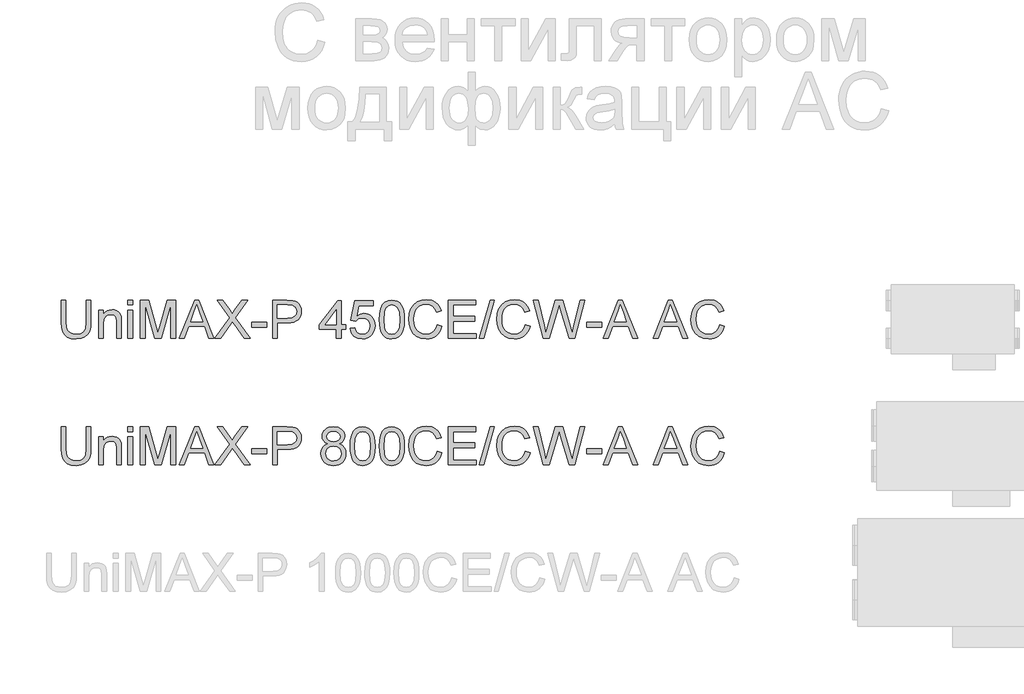
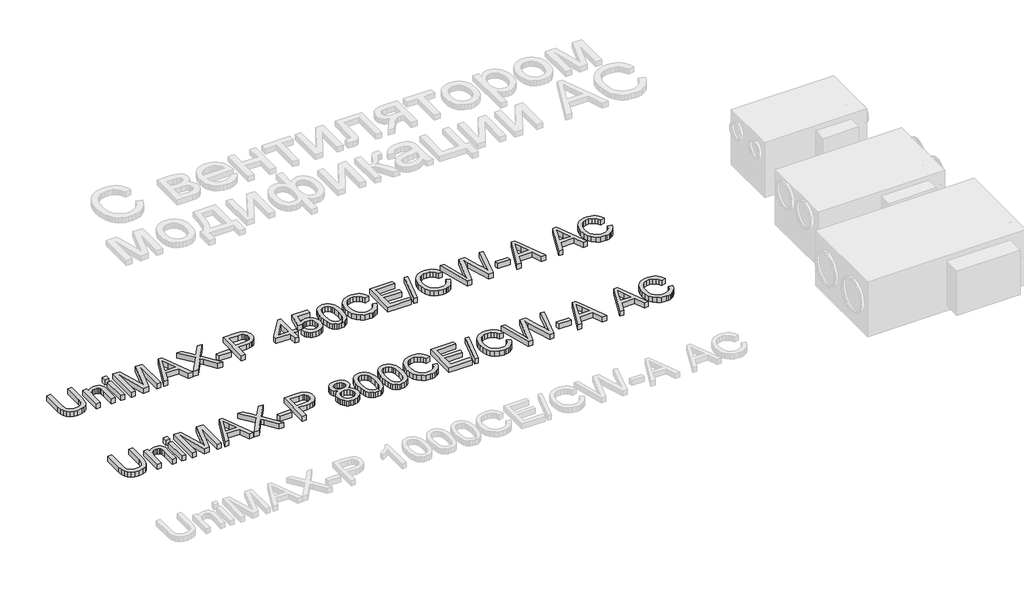
# One storey, part 44 of 74: 2 proxies.
"""IFC4 building model written with IfcOpenShell, lengths in millimetres."""

from ifc_helpers import new_model, si_unit, origin, origin_with_axes, place, context, project, spatial, polyline, outline, extrude, element, save

model = new_model("IFC4")

# Units and contexts
model_context = context("Model", 3, world=origin())
ifc_project = project(units=[si_unit("LENGTHUNIT", "METRE", prefix="MILLI")], contexts=[model_context])

# Site, building, storey
site = spatial("IfcSite", under=ifc_project)
building = spatial("IfcBuilding", under=site)
storey = spatial("IfcBuildingStorey", under=building, Elevation=0.0)

# Proxies
placement = place(None, origin())
element("IfcBuildingElementProxy", 1, Name="Generic Models", at=placement, inside=storey, context=model_context, shape_type="SweptSolid", body=[
    extrude(outline(polyline([(34632.348332, -27731.9528304), (34670.0194483, -27731.9528304), (34670.0194483, -27905.8138613), (34667.4626684, -27946.5292011), (34659.7923288, -27977.8819441), (34645.4633251, -28002.0701853), (34622.9305529, -28021.2920196), (34592.1388299, -28033.8459926), (34553.0329738, -28038.0306503), (34514.7824434, -28034.3886186), (34484.2022526, -28023.4625233), (34461.2832043, -28005.6294436), (34446.0161015, -27981.2664585), (34437.4352539, -27948.5893403), (34434.5749714, -27905.8138613), (34434.5749714, -27731.9528304), (34472.2460877, -27731.9528304), (34472.2460877, -27904.4894861), (34474.1038918, -27938.3438267), (34479.677304, -27961.9158655), (34489.7756648, -27978.2406291), (34505.2083145, -27990.3531438), (34525.3314596, -27997.8579365), (34549.5013067, -28000.359534), (34587.8162165, -27995.4115212), (34602.1590158, -27989.2265052), (34613.2920447, -27980.5674827), (34621.6291704, -27968.3905887), (34627.5842602, -27951.6519579), (34632.348332, -27904.4894861), (34632.348332, -27731.9528304)])), origin_with_axes(), (0.0, 0.0, 1.0), 50.0),
    extrude(outline(polyline([(34731.2350123, -28033.3217608), (34731.2350123, -27812.0039525), (34768.9061286, -27812.0039525), (34768.9061286, -27842.9060401), (34781.9935306, -27827.3262376), (34797.7112888, -27816.1978072), (34816.0594033, -27809.520749), (34837.0378741, -27807.295063), (34855.6067178, -27809.0884877), (34872.6120631, -27814.4687619), (34886.793914, -27822.7645009), (34896.8922747, -27833.30432), (34908.186252, -27861.0058343), (34910.1728148, -27897.4261518), (34910.1728148, -28033.3217608), (34872.5016985, -28033.3217608), (34872.5016985, -27902.5029233), (34868.1606909, -27869.1728146), (34862.1550173, -27859.2491977), (34852.8200117, -27851.551267), (34840.8546498, -27846.6124512), (34826.9579075, -27844.9661793), (34804.8941848, -27848.6633933), (34786.0862178, -27859.7550355), (34778.5699288, -27868.8095311), (34773.2011509, -27881.1841617), (34768.9061286, -27915.8938279), (34768.9061286, -28033.3217608), (34731.2350123, -28033.3217608)])), origin_with_axes(), (0.0, 0.0, 1.0), 50.0),
    extrude(outline(polyline([(34961.9705997, -28033.3217608), (34961.9705997, -27812.0039525), (34999.641716, -27812.0039525), (34999.641716, -28033.3217608), (34961.9705997, -28033.3217608)])), origin_with_axes(), (0.0, 0.0, 1.0), 50.0),
    extrude(outline(polyline([(34961.9705997, -27769.6239467), (34961.9705997, -27731.9528304), (34999.641716, -27731.9528304), (34999.641716, -27769.6239467), (34961.9705997, -27769.6239467)])), origin_with_axes(), (0.0, 0.0, 1.0), 50.0),
    extrude(outline(polyline([(35060.85728, -28033.3217608), (35060.85728, -27731.9528304), (35125.6780875, -27731.9528304), (35187.3351099, -27944.3678944), (35199.7695214, -27988.734463), (35213.2340024, -27940.6890744), (35273.8609552, -27731.9528304), (35338.6817627, -27731.9528304), (35338.6817627, -28033.3217608), (35301.0106464, -28033.3217608), (35301.0106464, -27769.6239467), (35225.3005318, -28033.3217608), (35174.2385109, -28033.3217608), (35098.5283963, -27769.6239467), (35098.5283963, -28033.3217608), (35060.85728, -28033.3217608)])), origin_with_axes(), (0.0, 0.0, 1.0), 50.0),
    extrude(outline(polyline([(35369.5102739, -28033.3217608), (35489.8076864, -27731.9528304), (35521.8869963, -27731.9528304), (35642.1844088, -28033.3217608), (35602.3795769, -28033.3217608), (35567.8722457, -27939.14397), (35443.7488606, -27939.14397), (35409.3151058, -28033.3217608), (35369.5102739, -28033.3217608)]), holes=[polyline([(35457.5812236, -27901.4728537), (35554.1134591, -27901.4728537), (35526.9637679, -27827.3814199), (35505.8473414, -27769.6239467), (35487.0853596, -27820.9066968), (35457.5812236, -27901.4728537)])]), origin_with_axes(), (0.0, 0.0, 1.0), 50.0),
    extrude(outline(polyline([(35649.4684723, -28033.3217608), (35765.6456063, -27869.0992382), (35668.3040304, -27731.9528304), (35713.4799394, -27731.9528304), (35768.2943567, -27809.1344729), (35786.7620329, -27839.2272201), (35808.3934942, -27808.6194381), (35862.6193003, -27731.9528304), (35908.4573969, -27731.9528304), (35811.115821, -27869.5406965), (35927.292955, -28033.3217608), (35882.117046, -28033.3217608), (35804.7146742, -27924.1343846), (35788.6014428, -27901.4728537), (35770.8695307, -27926.3416766), (35695.3065689, -28033.3217608), (35649.4684723, -28033.3217608)])), origin_with_axes(), (0.0, 0.0, 1.0), 50.0),
    extrude(outline(polyline([(35941.4196236, -27943.8528596), (35941.4196236, -27906.1817433), (36059.1418621, -27906.1817433), (36059.1418621, -27943.8528596), (35941.4196236, -27943.8528596)])), origin_with_axes(), (0.0, 0.0, 1.0), 50.0),
    extrude(outline(polyline([(36106.2307575, -28033.3217608), (36106.2307575, -27731.9528304), (36217.9197312, -27731.9528304), (36262.9484874, -27734.8223099), (36283.0256473, -27740.18419), (36299.5527459, -27748.9121903), (36312.8608771, -27761.4017841), (36323.2811346, -27778.0484443), (36330.0133752, -27797.6841458), (36332.2574553, -27819.1408632), (36330.7422414, -27837.640729), (36326.1965995, -27854.6598698), (36318.6205296, -27870.1982856), (36308.0140318, -27884.2559764), (36293.4528026, -27895.9086386), (36274.0125384, -27904.2319687), (36249.6932393, -27909.2259668), (36220.4949052, -27910.8906328), (36143.9018738, -27910.8906328), (36143.9018738, -28033.3217608), (36106.2307575, -28033.3217608)]), holes=[polyline([(36143.9018738, -27873.2195165), (36222.7021972, -27873.2195165), (36256.1058823, -27869.7614257), (36278.178802, -27859.3871535), (36290.4844548, -27842.7404932), (36294.586339, -27820.4652384), (36292.1675149, -27803.5426666), (36284.9110425, -27789.2688452), (36273.7182328, -27778.5266909), (36259.4903967, -27772.1991206), (36221.8192804, -27769.6239467), (36143.9018738, -27769.6239467), (36143.9018738, -27873.2195165)])]), origin_with_axes(), (0.0, 0.0, 1.0), 50.0),
    extrude(outline(polyline([(36610.0819381, -28033.3217608), (36610.0819381, -27962.6884177), (36473.5241415, -27962.6884177), (36473.5241415, -27925.0173014), (36619.4997172, -27736.6617199), (36647.7530544, -27736.6617199), (36647.7530544, -27925.0173014), (36685.4241707, -27925.0173014), (36685.4241707, -27962.6884177), (36647.7530544, -27962.6884177), (36647.7530544, -28033.3217608), (36610.0819381, -28033.3217608)]), holes=[polyline([(36610.0819381, -27925.0173014), (36610.0819381, -27808.6194381), (36519.8772729, -27925.0173014), (36610.0819381, -27925.0173014)])]), origin_with_axes(), (0.0, 0.0, 1.0), 50.0),
    extrude(outline(polyline([(36718.3863975, -27953.2706387), (36756.0575138, -27948.5617491), (36762.9736953, -27971.1772948), (36775.0402247, -27987.3732996), (36792.2019198, -27997.1129754), (36814.4035982, -28000.359534), (36841.4061366, -27995.8437825), (36861.6396464, -27982.2965281), (36874.2763929, -27961.2812691), (36878.4886418, -27934.3615041), (36874.5431074, -27909.0144346), (36862.7065042, -27889.6270535), (36842.8868617, -27877.3214007), (36814.9922094, -27873.2195165), (36796.7176713, -27874.8565914), (36781.919618, -27879.767816), (36760.7664033, -27896.7639642), (36723.095287, -27892.0550747), (36756.0575138, -27736.6617199), (36902.0330895, -27736.6617199), (36902.0330895, -27774.3328362), (36786.518143, -27774.3328362), (36770.4049116, -27857.3270143), (36797.3154795, -27840.9930537), (36825.5136345, -27835.5484002), (36843.8594497, -27837.2360588), (36860.7107443, -27842.2990348), (36876.0675184, -27850.7373281), (36889.9297718, -27862.5509386), (36901.4053908, -27877.0178981), (36909.6022615, -27893.416238), (36914.5203839, -27911.7459584), (36916.1597581, -27932.0070593), (36910.255252, -27969.6781756), (36902.8746195, -27986.4719887), (36892.541734, -28001.9046384), (36876.8883551, -28017.7097686), (36858.623014, -28028.9991474), (36837.7457108, -28035.7727746), (36814.2564454, -28038.0306503), (36777.2567137, -28032.2273119), (36761.578043, -28024.9731388), (36747.7801689, -28014.8172964), (36736.2999514, -28002.2656226), (36727.5742503, -27987.823955), (36718.3863975, -27953.2706387)])), origin_with_axes(), (0.0, 0.0, 1.0), 50.0),
    extrude(outline(polyline([(36949.1219848, -27885.0653167), (36951.8902968, -27836.8267901), (36960.1952329, -27798.3555305), (36973.9540195, -27769.0629266), (36993.0838833, -27748.3603673), (37017.7227799, -27736.0547146), (37048.0086651, -27731.9528304), (37071.222019, -27734.3808515), (37092.0073518, -27741.664915), (37109.389776, -27753.5199123), (37122.3944046, -27769.6607349), (37132.2168538, -27789.9494269), (37140.0527403, -27814.2480327), (37145.1846942, -27845.104135), (37146.8953454, -27885.0653167), (37144.1546246, -27933.0279319), (37135.932462, -27971.407221), (37122.2564488, -28000.727416), (37103.1541762, -28021.5127488), (37078.4600973, -28033.9011749), (37048.0086651, -28038.0306503), (37027.2601206, -28036.2372256), (37008.8660209, -28030.8569514), (36992.8263659, -28021.8898278), (36979.1411556, -28009.3358547), (36966.0077684, -27986.6421341), (36956.6267775, -27958.3658043), (36950.998183, -27924.5068652), (36949.1219848, -27885.0653167)]), holes=[polyline([(36986.7931011, -27884.9917403), (36991.2076851, -27944.2483327), (36996.725915, -27964.5163314), (37004.4514369, -27978.5441317), (37024.1699118, -27994.9056835), (37048.0086651, -28000.359534), (37071.8474184, -27994.8872894), (37091.5658934, -27978.4705553), (37099.2914153, -27964.4197624), (37104.8096452, -27944.1563622), (37109.2242291, -27884.9917403), (37104.956798, -27827.0687202), (37099.6225091, -27806.8674001), (37092.1545046, -27792.5062068), (37072.4728178, -27775.3445117), (37047.5672067, -27769.6239467), (37023.9859709, -27774.66393), (37005.0400481, -27789.78388), (36997.0570088, -27805.4188648), (36991.3548379, -27826.4985031), (36986.7931011, -27884.9917403)])]), origin_with_axes(), (0.0, 0.0, 1.0), 50.0),
    extrude(outline(polyline([(37405.88427, -27926.1945238), (37443.5553864, -27935.9066085), (37436.1011774, -27959.3337938), (37426.1729621, -27979.8041276), (37413.7707403, -27997.3176098), (37398.8945121, -28011.8742405), (37381.8799699, -28023.3176698), (37363.0628058, -28031.4915479), (37342.44302, -28036.3958747), (37320.0206124, -28038.0306503), (37276.3254284, -28033.0826375), (37241.6249592, -28018.238599), (37215.0270909, -27994.0135696), (37195.6397098, -27960.9225842), (37183.8031066, -27922.0190632), (37179.8575722, -27880.3564272), (37184.3181414, -27836.4129229), (37197.699849, -27798.4658951), (37219.3037191, -27767.7201573), (37248.4307761, -27745.3805232), (37282.9748955, -27731.7780864), (37320.8299528, -27727.2439408), (37362.1339038, -27733.1116586), (37380.10264, -27740.4463059), (37396.28255, -27750.7148121), (37410.4069193, -27763.6458642), (37422.2090336, -27778.9681493), (37438.8464968, -27816.7864184), (37401.1753805, -27825.7627391), (37388.1155697, -27798.2911511), (37370.2732929, -27779.4463959), (37347.427821, -27768.5478918), (37319.3584248, -27764.9150571), (37287.0032033, -27768.943365), (37260.4237292, -27781.0282885), (37240.2545988, -27799.9006349), (37227.1304086, -27824.2912111), (37219.9291185, -27851.8639667), (37217.5286885, -27880.2828508), (37220.3705769, -27915.0844876), (37228.8962422, -27945.1772348), (37243.427581, -27969.4114612), (37264.2864901, -27986.6375356), (37289.2932687, -27996.9290344), (37316.268216, -28000.359534), (37347.7129296, -27995.6874327), (37373.9153247, -27981.6711287), (37393.698179, -27958.4577748), (37405.88427, -27926.1945238)])), origin_with_axes(), (0.0, 0.0, 1.0), 50.0),
    extrude(outline(polyline([(37495.3531713, -28033.3217608), (37495.3531713, -27731.9528304), (37711.96209, -27731.9528304), (37711.96209, -27769.6239467), (37533.0242876, -27769.6239467), (37533.0242876, -27859.0928479), (37702.544311, -27859.0928479), (37702.544311, -27896.7639642), (37533.0242876, -27896.7639642), (37533.0242876, -27995.6506445), (37716.6709796, -27995.6506445), (37716.6709796, -28033.3217608), (37495.3531713, -28033.3217608)])), origin_with_axes(), (0.0, 0.0, 1.0), 50.0),
    extrude(outline(polyline([(37740.2154273, -28033.3217608), (37824.975439, -27731.9528304), (37858.9677353, -27731.9528304), (37774.2077236, -28033.3217608), (37740.2154273, -28033.3217608)])), origin_with_axes(), (0.0, 0.0, 1.0), 50.0),
    extrude(outline(polyline([(38102.7999217, -27926.1945238), (38140.471038, -27935.9066085), (38133.0168291, -27959.3337938), (38123.0886137, -27979.8041276), (38110.686392, -27997.3176098), (38095.8101638, -28011.8742405), (38078.7956215, -28023.3176698), (38059.9784575, -28031.4915479), (38039.3586716, -28036.3958747), (38016.936264, -28038.0306503), (37973.2410801, -28033.0826375), (37938.5406109, -28018.238599), (37911.9427426, -27994.0135696), (37892.5553615, -27960.9225842), (37880.7187583, -27922.0190632), (37876.7732239, -27880.3564272), (37881.2337931, -27836.4129229), (37894.6155006, -27798.4658951), (37916.2193708, -27767.7201573), (37945.3464278, -27745.3805232), (37979.8905471, -27731.7780864), (38017.7456044, -27727.2439408), (38059.0495554, -27733.1116586), (38077.0182916, -27740.4463059), (38093.1982016, -27750.7148121), (38107.322571, -27763.6458642), (38119.1246852, -27778.9681493), (38135.7621485, -27816.7864184), (38098.0910322, -27825.7627391), (38085.0312213, -27798.2911511), (38067.1889446, -27779.4463959), (38044.3434727, -27768.5478918), (38016.2740764, -27764.9150571), (37983.918855, -27768.943365), (37957.3393808, -27781.0282885), (37937.1702504, -27799.9006349), (37924.0460603, -27824.2912111), (37916.8447702, -27851.8639667), (37914.4443402, -27880.2828508), (37917.2862286, -27915.0844876), (37925.8118938, -27945.1772348), (37940.3432326, -27969.4114612), (37961.2021418, -27986.6375356), (37986.2089204, -27996.9290344), (38013.1838677, -28000.359534), (38044.6285812, -27995.6874327), (38070.8309763, -27981.6711287), (38090.6138306, -27958.4577748), (38102.7999217, -27926.1945238)])), origin_with_axes(), (0.0, 0.0, 1.0), 50.0),
    extrude(outline(polyline([(38246.2003234, -28033.3217608), (38164.0154857, -27731.9528304), (38202.8638244, -27731.9528304), (38250.541331, -27930.0204966), (38265.2566108, -27991.1624842), (38281.0019602, -27937.0838309), (38340.7459962, -27731.9528304), (38396.7376359, -27731.9528304), (38440.1477113, -27880.6507328), (38458.7441461, -27935.8330321), (38472.4477505, -27991.1624842), (38486.7215719, -27931.7863301), (38534.8405368, -27731.9528304), (38573.6888755, -27731.9528304), (38491.4304614, -28033.3217608), (38451.1841711, -28033.3217608), (38378.9321473, -27800.8203398), (38368.8521806, -27768.3731479), (38357.5214152, -27807.4422158), (38291.670538, -28033.3217608), (38246.2003234, -28033.3217608)])), origin_with_axes(), (0.0, 0.0, 1.0), 50.0),
    extrude(outline(polyline([(38587.8155441, -27943.8528596), (38587.8155441, -27906.1817433), (38705.5377826, -27906.1817433), (38705.5377826, -27943.8528596), (38587.8155441, -27943.8528596)])), origin_with_axes(), (0.0, 0.0, 1.0), 50.0),
    extrude(outline(polyline([(38717.5307356, -28033.3217608), (38837.8281481, -27731.9528304), (38869.9074581, -27731.9528304), (38990.2048705, -28033.3217608), (38950.4000386, -28033.3217608), (38915.8927074, -27939.14397), (38791.7693223, -27939.14397), (38757.3355675, -28033.3217608), (38717.5307356, -28033.3217608)]), holes=[polyline([(38805.6016853, -27901.4728537), (38902.1339208, -27901.4728537), (38874.9842296, -27827.3814199), (38853.8678031, -27769.6239467), (38835.1058213, -27820.9066968), (38805.6016853, -27901.4728537)])]), origin_with_axes(), (0.0, 0.0, 1.0), 50.0),
    extrude(outline(polyline([(39113.0774569, -28033.3217608), (39233.3748693, -27731.9528304), (39265.4541793, -27731.9528304), (39385.7515917, -28033.3217608), (39345.9467598, -28033.3217608), (39311.4394287, -27939.14397), (39187.3160435, -27939.14397), (39152.8822887, -28033.3217608), (39113.0774569, -28033.3217608)]), holes=[polyline([(39201.1484065, -27901.4728537), (39297.680642, -27901.4728537), (39270.5309508, -27827.3814199), (39249.4145243, -27769.6239467), (39230.6525425, -27820.9066968), (39201.1484065, -27901.4728537)])]), origin_with_axes(), (0.0, 0.0, 1.0), 50.0),
    extrude(outline(polyline([(39637.8979112, -27926.1945238), (39675.5690275, -27935.9066085), (39668.1148186, -27959.3337938), (39658.1866032, -27979.8041276), (39645.7843815, -27997.3176098), (39630.9081533, -28011.8742405), (39613.893611, -28023.3176698), (39595.0764469, -28031.4915479), (39574.4566611, -28036.3958747), (39552.0342535, -28038.0306503), (39508.3390695, -28033.0826375), (39473.6386003, -28018.238599), (39447.0407321, -27994.0135696), (39427.6533509, -27960.9225842), (39415.8167477, -27922.0190632), (39411.8712133, -27880.3564272), (39416.3317825, -27836.4129229), (39429.7134901, -27798.4658951), (39451.3173603, -27767.7201573), (39480.4444172, -27745.3805232), (39514.9885366, -27731.7780864), (39552.8435939, -27727.2439408), (39594.1475449, -27733.1116586), (39612.1162811, -27740.4463059), (39628.2961911, -27750.7148121), (39642.4205605, -27763.6458642), (39654.2226747, -27778.9681493), (39670.8601379, -27816.7864184), (39633.1890216, -27825.7627391), (39620.1292108, -27798.2911511), (39602.286934, -27779.4463959), (39579.4414621, -27768.5478918), (39551.3720659, -27764.9150571), (39519.0168444, -27768.943365), (39492.4373703, -27781.0282885), (39472.2682399, -27799.9006349), (39459.1440497, -27824.2912111), (39451.9427597, -27851.8639667), (39449.5423297, -27880.2828508), (39452.3842181, -27915.0844876), (39460.9098833, -27945.1772348), (39475.4412221, -27969.4114612), (39496.3001312, -27986.6375356), (39521.3069099, -27996.9290344), (39548.2818572, -28000.359534), (39579.7265707, -27995.6874327), (39605.9289658, -27981.6711287), (39625.7118201, -27958.4577748), (39637.8979112, -27926.1945238)])), origin_with_axes(), (0.0, 0.0, 1.0), 50.0),
])
element("IfcBuildingElementProxy", 2, Name="Generic Models", at=placement, inside=storey, context=model_context, shape_type="SweptSolid", body=[
    extrude(outline(polyline([(34632.348332, -28731.9528304), (34670.0194483, -28731.9528304), (34670.0194483, -28905.8138613), (34667.4626684, -28946.5292011), (34659.7923288, -28977.8819441), (34645.4633251, -29002.0701853), (34622.9305529, -29021.2920196), (34592.1388299, -29033.8459926), (34553.0329738, -29038.0306503), (34514.7824434, -29034.3886186), (34484.2022526, -29023.4625233), (34461.2832043, -29005.6294436), (34446.0161015, -28981.2664585), (34437.4352539, -28948.5893403), (34434.5749714, -28905.8138613), (34434.5749714, -28731.9528304), (34472.2460877, -28731.9528304), (34472.2460877, -28904.4894861), (34474.1038918, -28938.3438267), (34479.677304, -28961.9158655), (34489.7756648, -28978.2406291), (34505.2083145, -28990.3531438), (34525.3314596, -28997.8579365), (34549.5013067, -29000.359534), (34587.8162165, -28995.4115212), (34602.1590158, -28989.2265052), (34613.2920447, -28980.5674827), (34621.6291704, -28968.3905887), (34627.5842602, -28951.6519579), (34632.348332, -28904.4894861), (34632.348332, -28731.9528304)])), origin_with_axes(), (0.0, 0.0, 1.0), 50.0),
    extrude(outline(polyline([(34731.2350123, -29033.3217608), (34731.2350123, -28812.0039525), (34768.9061286, -28812.0039525), (34768.9061286, -28842.9060401), (34781.9935306, -28827.3262376), (34797.7112888, -28816.1978072), (34816.0594033, -28809.520749), (34837.0378741, -28807.295063), (34855.6067178, -28809.0884877), (34872.6120631, -28814.4687619), (34886.793914, -28822.7645009), (34896.8922747, -28833.30432), (34908.186252, -28861.0058343), (34910.1728148, -28897.4261518), (34910.1728148, -29033.3217608), (34872.5016985, -29033.3217608), (34872.5016985, -28902.5029233), (34868.1606909, -28869.1728146), (34862.1550173, -28859.2491977), (34852.8200117, -28851.551267), (34840.8546498, -28846.6124512), (34826.9579075, -28844.9661793), (34804.8941848, -28848.6633933), (34786.0862178, -28859.7550355), (34778.5699288, -28868.8095311), (34773.2011509, -28881.1841617), (34768.9061286, -28915.8938279), (34768.9061286, -29033.3217608), (34731.2350123, -29033.3217608)])), origin_with_axes(), (0.0, 0.0, 1.0), 50.0),
    extrude(outline(polyline([(34961.9705997, -29033.3217608), (34961.9705997, -28812.0039525), (34999.641716, -28812.0039525), (34999.641716, -29033.3217608), (34961.9705997, -29033.3217608)])), origin_with_axes(), (0.0, 0.0, 1.0), 50.0),
    extrude(outline(polyline([(34961.9705997, -28769.6239467), (34961.9705997, -28731.9528304), (34999.641716, -28731.9528304), (34999.641716, -28769.6239467), (34961.9705997, -28769.6239467)])), origin_with_axes(), (0.0, 0.0, 1.0), 50.0),
    extrude(outline(polyline([(35060.85728, -29033.3217608), (35060.85728, -28731.9528304), (35125.6780875, -28731.9528304), (35187.3351099, -28944.3678944), (35199.7695214, -28988.734463), (35213.2340024, -28940.6890744), (35273.8609552, -28731.9528304), (35338.6817627, -28731.9528304), (35338.6817627, -29033.3217608), (35301.0106464, -29033.3217608), (35301.0106464, -28769.6239467), (35225.3005318, -29033.3217608), (35174.2385109, -29033.3217608), (35098.5283963, -28769.6239467), (35098.5283963, -29033.3217608), (35060.85728, -29033.3217608)])), origin_with_axes(), (0.0, 0.0, 1.0), 50.0),
    extrude(outline(polyline([(35369.5102739, -29033.3217608), (35489.8076864, -28731.9528304), (35521.8869963, -28731.9528304), (35642.1844088, -29033.3217608), (35602.3795769, -29033.3217608), (35567.8722457, -28939.14397), (35443.7488606, -28939.14397), (35409.3151058, -29033.3217608), (35369.5102739, -29033.3217608)]), holes=[polyline([(35457.5812236, -28901.4728537), (35554.1134591, -28901.4728537), (35526.9637679, -28827.3814199), (35505.8473414, -28769.6239467), (35487.0853596, -28820.9066968), (35457.5812236, -28901.4728537)])]), origin_with_axes(), (0.0, 0.0, 1.0), 50.0),
    extrude(outline(polyline([(35649.4684723, -29033.3217608), (35765.6456063, -28869.0992382), (35668.3040304, -28731.9528304), (35713.4799394, -28731.9528304), (35768.2943567, -28809.1344729), (35786.7620329, -28839.2272201), (35808.3934942, -28808.6194381), (35862.6193003, -28731.9528304), (35908.4573969, -28731.9528304), (35811.115821, -28869.5406965), (35927.292955, -29033.3217608), (35882.117046, -29033.3217608), (35804.7146742, -28924.1343846), (35788.6014428, -28901.4728537), (35770.8695307, -28926.3416766), (35695.3065689, -29033.3217608), (35649.4684723, -29033.3217608)])), origin_with_axes(), (0.0, 0.0, 1.0), 50.0),
    extrude(outline(polyline([(35941.4196236, -28943.8528596), (35941.4196236, -28906.1817433), (36059.1418621, -28906.1817433), (36059.1418621, -28943.8528596), (35941.4196236, -28943.8528596)])), origin_with_axes(), (0.0, 0.0, 1.0), 50.0),
    extrude(outline(polyline([(36106.2307575, -29033.3217608), (36106.2307575, -28731.9528304), (36217.9197312, -28731.9528304), (36262.9484874, -28734.8223099), (36283.0256473, -28740.18419), (36299.5527459, -28748.9121903), (36312.8608771, -28761.4017841), (36323.2811346, -28778.0484443), (36330.0133752, -28797.6841458), (36332.2574553, -28819.1408632), (36330.7422414, -28837.640729), (36326.1965995, -28854.6598698), (36318.6205296, -28870.1982856), (36308.0140318, -28884.2559764), (36293.4528026, -28895.9086386), (36274.0125384, -28904.2319687), (36249.6932393, -28909.2259668), (36220.4949052, -28910.8906328), (36143.9018738, -28910.8906328), (36143.9018738, -29033.3217608), (36106.2307575, -29033.3217608)]), holes=[polyline([(36143.9018738, -28873.2195165), (36222.7021972, -28873.2195165), (36256.1058823, -28869.7614257), (36278.178802, -28859.3871535), (36290.4844548, -28842.7404932), (36294.586339, -28820.4652384), (36292.1675149, -28803.5426666), (36284.9110425, -28789.2688452), (36273.7182328, -28778.5266909), (36259.4903967, -28772.1991206), (36221.8192804, -28769.6239467), (36143.9018738, -28769.6239467), (36143.9018738, -28873.2195165)])]), origin_with_axes(), (0.0, 0.0, 1.0), 50.0),
    extrude(outline(polyline([(36542.5388038, -28867.3334046), (36522.3696734, -28857.4005907), (36508.2154136, -28843.9361097), (36499.8552953, -28827.215873), (36497.0685892, -28807.5157922), (36498.5861024, -28792.1521203), (36503.1386421, -28778.0668384), (36510.7262082, -28765.2599465), (36521.3488008, -28753.7314445), (36534.4959836, -28744.2033008), (36549.6573204, -28737.3974839), (36586.0224556, -28731.9528304), (36622.60832, -28737.5262426), (36637.9352036, -28744.4930079), (36651.2847215, -28754.2464793), (36662.1004522, -28766.000309), (36669.8259741, -28778.9681493), (36674.4612872, -28793.1500003), (36676.0063916, -28808.5458617), (36673.2564737, -28827.6113461), (36665.00672, -28844.0464743), (36651.1651599, -28857.4281819), (36631.639823, -28867.3334046), (36654.8255857, -28879.2803724), (36671.7021723, -28896.8743288), (36681.9936711, -28919.2691452), (36685.4241707, -28945.6186932), (36683.7227165, -28964.4082661), (36678.6183538, -28981.6343405), (36670.1110826, -28997.2969164), (36658.200903, -29011.3959939), (36643.5132144, -29023.0486561), (36626.6734161, -29031.3719862), (36607.6815081, -29036.3659843), (36586.5374904, -29038.0306503), (36565.3934727, -29036.3590865), (36546.4015647, -29031.3443951), (36529.5617664, -29022.986576), (36514.8740777, -29011.2856293), (36502.9638981, -28997.0876835), (36494.456627, -28981.2388673), (36489.3522643, -28963.7391807), (36487.6508101, -28944.5886236), (36491.2192654, -28917.2182031), (36501.9246315, -28894.703825), (36519.2150853, -28877.8180414), (36542.5388038, -28867.3334046)]), holes=[polyline([(36525.3219264, -28943.2642484), (36531.6127085, -28971.6279502), (36540.3223147, -28983.7956472), (36553.8695692, -28992.8547413), (36570.0931652, -28998.4833359), (36586.831796, -29000.359534), (36612.473171, -28996.4139996), (36631.7133994, -28984.5773964), (36643.7431406, -28966.6523462), (36647.7530544, -28944.4414708), (36643.6143819, -28921.8535163), (36631.1983646, -28903.5329929), (36611.5166779, -28891.3928871), (36585.5809972, -28887.3461851), (36560.2983071, -28891.3377048), (36541.2512168, -28903.3122637), (36529.304249, -28921.2832992), (36525.3219264, -28943.2642484)]), polyline([(36534.7397055, -28808.6194381), (36538.0782346, -28825.0637633), (36548.0938219, -28838.1971506), (36564.4921618, -28846.8055892), (36586.9789488, -28849.6750688), (36608.9415039, -28846.8239833), (36625.0915235, -28838.270727), (36635.0243374, -28825.5787981), (36638.3352753, -28810.3116953), (36634.9139728, -28794.4651784), (36624.6500651, -28781.3593823), (36608.2793163, -28772.5578056), (36586.5374904, -28769.6239467), (36564.6577087, -28772.4934262), (36548.3145511, -28781.1018649), (36538.1334169, -28793.7202173), (36534.7397055, -28808.6194381)])]), origin_with_axes(), (0.0, 0.0, 1.0), 50.0),
    extrude(outline(polyline([(36718.3863975, -28885.0653167), (36721.1547095, -28836.8267901), (36729.4596455, -28798.3555305), (36743.2184321, -28769.0629266), (36762.3482959, -28748.3603673), (36786.9871925, -28736.0547146), (36817.2730778, -28731.9528304), (36840.4864317, -28734.3808515), (36861.2717644, -28741.664915), (36878.6541887, -28753.5199123), (36891.6588172, -28769.6607349), (36901.4812665, -28789.9494269), (36909.317153, -28814.2480327), (36914.4491068, -28845.104135), (36916.1597581, -28885.0653167), (36913.4190372, -28933.0279319), (36905.1968746, -28971.407221), (36891.5208614, -29000.727416), (36872.4185888, -29021.5127488), (36847.7245099, -29033.9011749), (36817.2730778, -29038.0306503), (36796.5245332, -29036.2372256), (36778.1304335, -29030.8569514), (36762.0907785, -29021.8898278), (36748.4055683, -29009.3358547), (36735.272181, -28986.6421341), (36725.8911902, -28958.3658043), (36720.2625956, -28924.5068652), (36718.3863975, -28885.0653167)]), holes=[polyline([(36756.0575138, -28884.9917403), (36760.4720977, -28944.2483327), (36765.9903276, -28964.5163314), (36773.7158495, -28978.5441317), (36793.4343245, -28994.9056835), (36817.2730778, -29000.359534), (36841.111831, -28994.8872894), (36860.830306, -28978.4705553), (36868.5558279, -28964.4197624), (36874.0740578, -28944.1563622), (36878.4886418, -28884.9917403), (36874.2212106, -28827.0687202), (36868.8869217, -28806.8674001), (36861.4189172, -28792.5062068), (36841.7372304, -28775.3445117), (36816.8316194, -28769.6239467), (36793.2503835, -28774.66393), (36774.3044607, -28789.78388), (36766.3214214, -28805.4188648), (36760.6192505, -28826.4985031), (36756.0575138, -28884.9917403)])]), origin_with_axes(), (0.0, 0.0, 1.0), 50.0),
    extrude(outline(polyline([(36949.1219848, -28885.0653167), (36951.8902968, -28836.8267901), (36960.1952329, -28798.3555305), (36973.9540195, -28769.0629266), (36993.0838833, -28748.3603673), (37017.7227799, -28736.0547146), (37048.0086651, -28731.9528304), (37071.222019, -28734.3808515), (37092.0073518, -28741.664915), (37109.389776, -28753.5199123), (37122.3944046, -28769.6607349), (37132.2168538, -28789.9494269), (37140.0527403, -28814.2480327), (37145.1846942, -28845.104135), (37146.8953454, -28885.0653167), (37144.1546246, -28933.0279319), (37135.932462, -28971.407221), (37122.2564488, -29000.727416), (37103.1541762, -29021.5127488), (37078.4600973, -29033.9011749), (37048.0086651, -29038.0306503), (37027.2601206, -29036.2372256), (37008.8660209, -29030.8569514), (36992.8263659, -29021.8898278), (36979.1411556, -29009.3358547), (36966.0077684, -28986.6421341), (36956.6267775, -28958.3658043), (36950.998183, -28924.5068652), (36949.1219848, -28885.0653167)]), holes=[polyline([(36986.7931011, -28884.9917403), (36991.2076851, -28944.2483327), (36996.725915, -28964.5163314), (37004.4514369, -28978.5441317), (37024.1699118, -28994.9056835), (37048.0086651, -29000.359534), (37071.8474184, -28994.8872894), (37091.5658934, -28978.4705553), (37099.2914153, -28964.4197624), (37104.8096452, -28944.1563622), (37109.2242291, -28884.9917403), (37104.956798, -28827.0687202), (37099.6225091, -28806.8674001), (37092.1545046, -28792.5062068), (37072.4728178, -28775.3445117), (37047.5672067, -28769.6239467), (37023.9859709, -28774.66393), (37005.0400481, -28789.78388), (36997.0570088, -28805.4188648), (36991.3548379, -28826.4985031), (36986.7931011, -28884.9917403)])]), origin_with_axes(), (0.0, 0.0, 1.0), 50.0),
    extrude(outline(polyline([(37405.88427, -28926.1945238), (37443.5553864, -28935.9066085), (37436.1011774, -28959.3337938), (37426.1729621, -28979.8041276), (37413.7707403, -28997.3176098), (37398.8945121, -29011.8742405), (37381.8799699, -29023.3176698), (37363.0628058, -29031.4915479), (37342.44302, -29036.3958747), (37320.0206124, -29038.0306503), (37276.3254284, -29033.0826375), (37241.6249592, -29018.238599), (37215.0270909, -28994.0135696), (37195.6397098, -28960.9225842), (37183.8031066, -28922.0190632), (37179.8575722, -28880.3564272), (37184.3181414, -28836.4129229), (37197.699849, -28798.4658951), (37219.3037191, -28767.7201573), (37248.4307761, -28745.3805232), (37282.9748955, -28731.7780864), (37320.8299528, -28727.2439408), (37362.1339038, -28733.1116586), (37380.10264, -28740.4463059), (37396.28255, -28750.7148121), (37410.4069193, -28763.6458642), (37422.2090336, -28778.9681493), (37438.8464968, -28816.7864184), (37401.1753805, -28825.7627391), (37388.1155697, -28798.2911511), (37370.2732929, -28779.4463959), (37347.427821, -28768.5478918), (37319.3584248, -28764.9150571), (37287.0032033, -28768.943365), (37260.4237292, -28781.0282885), (37240.2545988, -28799.9006349), (37227.1304086, -28824.2912111), (37219.9291185, -28851.8639667), (37217.5286885, -28880.2828508), (37220.3705769, -28915.0844876), (37228.8962422, -28945.1772348), (37243.427581, -28969.4114612), (37264.2864901, -28986.6375356), (37289.2932687, -28996.9290344), (37316.268216, -29000.359534), (37347.7129296, -28995.6874327), (37373.9153247, -28981.6711287), (37393.698179, -28958.4577748), (37405.88427, -28926.1945238)])), origin_with_axes(), (0.0, 0.0, 1.0), 50.0),
    extrude(outline(polyline([(37495.3531713, -29033.3217608), (37495.3531713, -28731.9528304), (37711.96209, -28731.9528304), (37711.96209, -28769.6239467), (37533.0242876, -28769.6239467), (37533.0242876, -28859.0928479), (37702.544311, -28859.0928479), (37702.544311, -28896.7639642), (37533.0242876, -28896.7639642), (37533.0242876, -28995.6506445), (37716.6709796, -28995.6506445), (37716.6709796, -29033.3217608), (37495.3531713, -29033.3217608)])), origin_with_axes(), (0.0, 0.0, 1.0), 50.0),
    extrude(outline(polyline([(37740.2154273, -29033.3217608), (37824.975439, -28731.9528304), (37858.9677353, -28731.9528304), (37774.2077236, -29033.3217608), (37740.2154273, -29033.3217608)])), origin_with_axes(), (0.0, 0.0, 1.0), 50.0),
    extrude(outline(polyline([(38102.7999217, -28926.1945238), (38140.471038, -28935.9066085), (38133.0168291, -28959.3337938), (38123.0886137, -28979.8041276), (38110.686392, -28997.3176098), (38095.8101638, -29011.8742405), (38078.7956215, -29023.3176698), (38059.9784575, -29031.4915479), (38039.3586716, -29036.3958747), (38016.936264, -29038.0306503), (37973.2410801, -29033.0826375), (37938.5406109, -29018.238599), (37911.9427426, -28994.0135696), (37892.5553615, -28960.9225842), (37880.7187583, -28922.0190632), (37876.7732239, -28880.3564272), (37881.2337931, -28836.4129229), (37894.6155006, -28798.4658951), (37916.2193708, -28767.7201573), (37945.3464278, -28745.3805232), (37979.8905471, -28731.7780864), (38017.7456044, -28727.2439408), (38059.0495554, -28733.1116586), (38077.0182916, -28740.4463059), (38093.1982016, -28750.7148121), (38107.322571, -28763.6458642), (38119.1246852, -28778.9681493), (38135.7621485, -28816.7864184), (38098.0910322, -28825.7627391), (38085.0312213, -28798.2911511), (38067.1889446, -28779.4463959), (38044.3434727, -28768.5478918), (38016.2740764, -28764.9150571), (37983.918855, -28768.943365), (37957.3393808, -28781.0282885), (37937.1702504, -28799.9006349), (37924.0460603, -28824.2912111), (37916.8447702, -28851.8639667), (37914.4443402, -28880.2828508), (37917.2862286, -28915.0844876), (37925.8118938, -28945.1772348), (37940.3432326, -28969.4114612), (37961.2021418, -28986.6375356), (37986.2089204, -28996.9290344), (38013.1838677, -29000.359534), (38044.6285812, -28995.6874327), (38070.8309763, -28981.6711287), (38090.6138306, -28958.4577748), (38102.7999217, -28926.1945238)])), origin_with_axes(), (0.0, 0.0, 1.0), 50.0),
    extrude(outline(polyline([(38246.2003234, -29033.3217608), (38164.0154857, -28731.9528304), (38202.8638244, -28731.9528304), (38250.541331, -28930.0204966), (38265.2566108, -28991.1624842), (38281.0019602, -28937.0838309), (38340.7459962, -28731.9528304), (38396.7376359, -28731.9528304), (38440.1477113, -28880.6507328), (38458.7441461, -28935.8330321), (38472.4477505, -28991.1624842), (38486.7215719, -28931.7863301), (38534.8405368, -28731.9528304), (38573.6888755, -28731.9528304), (38491.4304614, -29033.3217608), (38451.1841711, -29033.3217608), (38378.9321473, -28800.8203398), (38368.8521806, -28768.3731479), (38357.5214152, -28807.4422158), (38291.670538, -29033.3217608), (38246.2003234, -29033.3217608)])), origin_with_axes(), (0.0, 0.0, 1.0), 50.0),
    extrude(outline(polyline([(38587.8155441, -28943.8528596), (38587.8155441, -28906.1817433), (38705.5377826, -28906.1817433), (38705.5377826, -28943.8528596), (38587.8155441, -28943.8528596)])), origin_with_axes(), (0.0, 0.0, 1.0), 50.0),
    extrude(outline(polyline([(38717.5307356, -29033.3217608), (38837.8281481, -28731.9528304), (38869.9074581, -28731.9528304), (38990.2048705, -29033.3217608), (38950.4000386, -29033.3217608), (38915.8927074, -28939.14397), (38791.7693223, -28939.14397), (38757.3355675, -29033.3217608), (38717.5307356, -29033.3217608)]), holes=[polyline([(38805.6016853, -28901.4728537), (38902.1339208, -28901.4728537), (38874.9842296, -28827.3814199), (38853.8678031, -28769.6239467), (38835.1058213, -28820.9066968), (38805.6016853, -28901.4728537)])]), origin_with_axes(), (0.0, 0.0, 1.0), 50.0),
    extrude(outline(polyline([(39113.0774569, -29033.3217608), (39233.3748693, -28731.9528304), (39265.4541793, -28731.9528304), (39385.7515917, -29033.3217608), (39345.9467598, -29033.3217608), (39311.4394287, -28939.14397), (39187.3160435, -28939.14397), (39152.8822887, -29033.3217608), (39113.0774569, -29033.3217608)]), holes=[polyline([(39201.1484065, -28901.4728537), (39297.680642, -28901.4728537), (39270.5309508, -28827.3814199), (39249.4145243, -28769.6239467), (39230.6525425, -28820.9066968), (39201.1484065, -28901.4728537)])]), origin_with_axes(), (0.0, 0.0, 1.0), 50.0),
    extrude(outline(polyline([(39637.8979112, -28926.1945238), (39675.5690275, -28935.9066085), (39668.1148186, -28959.3337938), (39658.1866032, -28979.8041276), (39645.7843815, -28997.3176098), (39630.9081533, -29011.8742405), (39613.893611, -29023.3176698), (39595.0764469, -29031.4915479), (39574.4566611, -29036.3958747), (39552.0342535, -29038.0306503), (39508.3390695, -29033.0826375), (39473.6386003, -29018.238599), (39447.0407321, -28994.0135696), (39427.6533509, -28960.9225842), (39415.8167477, -28922.0190632), (39411.8712133, -28880.3564272), (39416.3317825, -28836.4129229), (39429.7134901, -28798.4658951), (39451.3173603, -28767.7201573), (39480.4444172, -28745.3805232), (39514.9885366, -28731.7780864), (39552.8435939, -28727.2439408), (39594.1475449, -28733.1116586), (39612.1162811, -28740.4463059), (39628.2961911, -28750.7148121), (39642.4205605, -28763.6458642), (39654.2226747, -28778.9681493), (39670.8601379, -28816.7864184), (39633.1890216, -28825.7627391), (39620.1292108, -28798.2911511), (39602.286934, -28779.4463959), (39579.4414621, -28768.5478918), (39551.3720659, -28764.9150571), (39519.0168444, -28768.943365), (39492.4373703, -28781.0282885), (39472.2682399, -28799.9006349), (39459.1440497, -28824.2912111), (39451.9427597, -28851.8639667), (39449.5423297, -28880.2828508), (39452.3842181, -28915.0844876), (39460.9098833, -28945.1772348), (39475.4412221, -28969.4114612), (39496.3001312, -28986.6375356), (39521.3069099, -28996.9290344), (39548.2818572, -29000.359534), (39579.7265707, -28995.6874327), (39605.9289658, -28981.6711287), (39625.7118201, -28958.4577748), (39637.8979112, -28926.1945238)])), origin_with_axes(), (0.0, 0.0, 1.0), 50.0),
])

save(model, "model.ifc")
